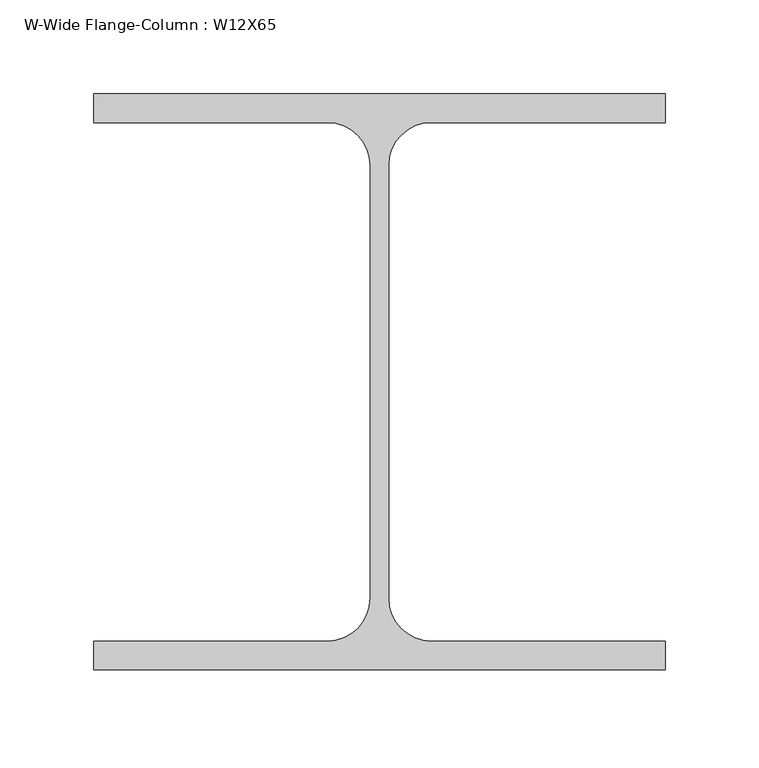
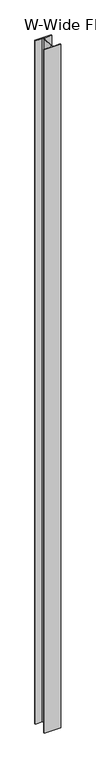
"""IFC4 building model written with IfcOpenShell, lengths in millimetres: column geometry, W-Wide Flange-Column : W12X65."""

from ifc_helpers import new_model, si_unit, point, frame, frame_2d, origin, place, context, project, spatial, polyline, circle_curve, trimmed, segment, composite_curve, outline, extrude, source, transform, mapped, element, save


def w_wide_flange_column_w12x65_21c603d8(model_context):
    return source(origin(), model_context, "Body", "SweptSolid", [
        extrude(outline(composite_curve([segment(polyline([(152.4, 153.6898438), (152.4, 138.3109375), (27.6820312, 138.3109375)]), True, "CONTINUOUS"), segment(trimmed(circle_curve(frame_2d((27.6820312, 115.5898438)), 22.7210937), [point((27.6820312, 138.3109375))], [point((4.9609375, 115.5898437))], True, "CARTESIAN"), True, "CONTINUOUS"), segment(polyline([(4.9609375, 115.5898437), (4.9609375, -115.5898438)]), True, "CONTINUOUS"), segment(trimmed(circle_curve(frame_2d((27.6820312, -115.5898437)), 22.7210937), [point((4.9609375, -115.5898438))], [point((27.6820312, -138.3109375))], True, "CARTESIAN"), True, "CONTINUOUS"), segment(polyline([(27.6820312, -138.3109375), (152.4, -138.3109375), (152.4, -153.6898437), (-152.4, -153.6898437), (-152.4, -138.3109375), (-27.6820313, -138.3109375)]), True, "CONTINUOUS"), segment(trimmed(circle_curve(frame_2d((-27.6820313, -115.5898437)), 22.7210937), [point((-27.6820313, -138.3109375))], [point((-4.9609375, -115.5898437))], True, "CARTESIAN"), True, "CONTINUOUS"), segment(polyline([(-4.9609375, -115.5898437), (-4.9609375, 115.5898438)]), True, "CONTINUOUS"), segment(trimmed(circle_curve(frame_2d((-27.6820313, 115.5898438)), 22.7210937), [point((-4.9609375, 115.5898438))], [point((-27.6820313, 138.3109375))], True, "CARTESIAN"), True, "CONTINUOUS"), segment(polyline([(-27.6820313, 138.3109375), (-152.4, 138.3109375), (-152.4, 153.6898438), (152.4, 153.6898438)]), True, "CONTINUOUS")], self_intersect=False)), frame((0.0, 0.0, -4165.6), z_axis=(0.0, 0.0, 1.0), x_axis=(1.0, 0.0, 0.0)), (0.0, 0.0, 1.0), 13512.8),
    ])


if __name__ == "__main__":
    model = new_model("IFC4")
    model_context = context("Model", 3, world=origin())
    ifc_project = project(units=[si_unit("LENGTHUNIT", "METRE", prefix="MILLI")], contexts=[model_context])
    site = spatial("IfcSite", under=ifc_project)
    building = spatial("IfcBuilding", under=site)
    placement = place(None, origin())
    w_wide_flange_column_w12x65_shape = w_wide_flange_column_w12x65_21c603d8(model_context)
    element("IfcColumn", 1, ObjectType="W-Wide Flange-Column : W12X65", at=placement, inside=building, context=model_context, shape_type="MappedRepresentation", body=[
        mapped(w_wide_flange_column_w12x65_shape, transform((0.0, 0.0, 0.0), x_axis=(1.0, 0.0, 0.0), y_axis=(0.0, 1.0, 0.0), z_axis=(0.0, 0.0, 1.0))),
    ])
    save(model, "model.ifc")
